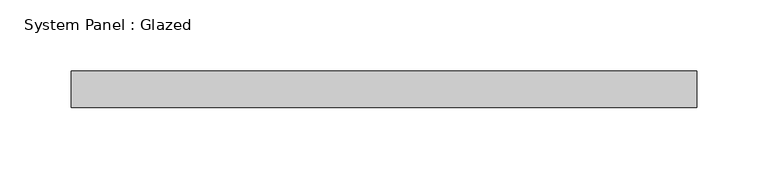
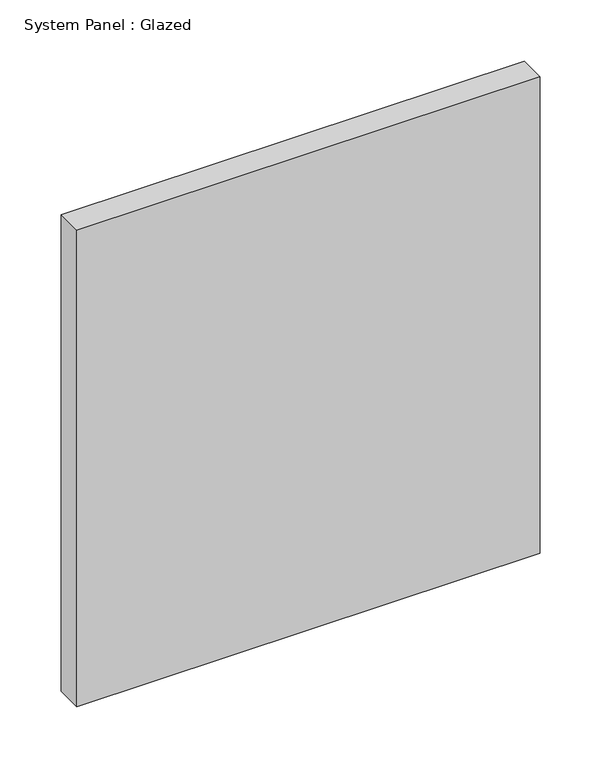
"""IFC4 building model written with IfcOpenShell, lengths in millimetres: plate geometry, System Panel : Glazed."""

from ifc_helpers import new_model, si_unit, origin, origin_with_axes, place, context, project, spatial, polyline, outline, extrude, source, transform, mapped, element, save


def system_panel_glazed_eb24f561(model_context):
    return source(origin(), model_context, "Body", "SweptSolid", [
        extrude(outline(polyline([(219.075, -12.7), (-219.075, -12.7), (-219.075, 12.7), (219.075, 12.7), (219.075, -12.7)])), origin_with_axes(), (0.0, 0.0, 1.0), 476.25),
    ])


if __name__ == "__main__":
    model = new_model("IFC4")
    model_context = context("Model", 3, world=origin())
    ifc_project = project(units=[si_unit("LENGTHUNIT", "METRE", prefix="MILLI")], contexts=[model_context])
    site = spatial("IfcSite", under=ifc_project)
    building = spatial("IfcBuilding", under=site)
    placement = place(None, origin())
    system_panel_glazed_shape = system_panel_glazed_eb24f561(model_context)
    element("IfcPlate", 1, ObjectType="System Panel : Glazed", at=placement, inside=building, context=model_context, shape_type="MappedRepresentation", body=[
        mapped(system_panel_glazed_shape, transform((0.0, 0.0, 0.0), x_axis=(1.0, 0.0, 0.0), y_axis=(0.0, 1.0, 0.0), z_axis=(0.0, 0.0, 1.0))),
    ])
    save(model, "model.ifc")
